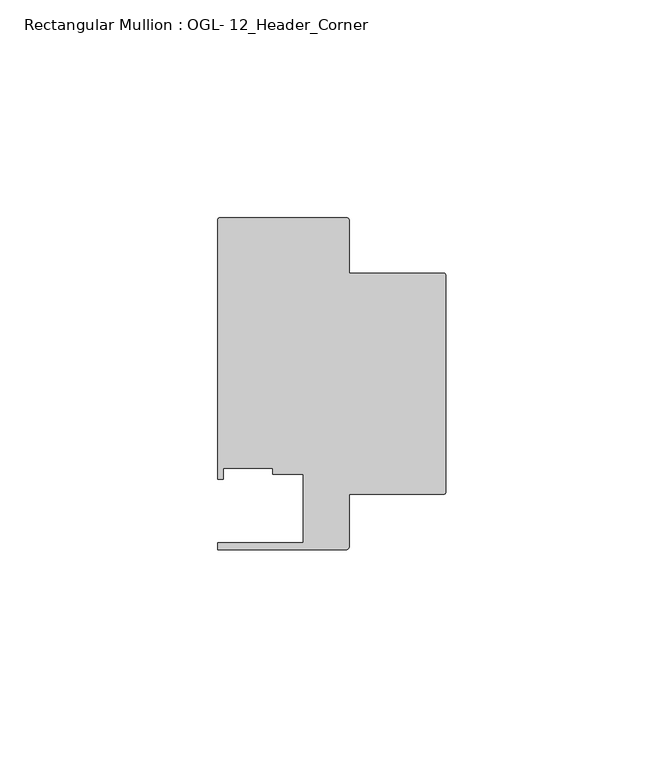
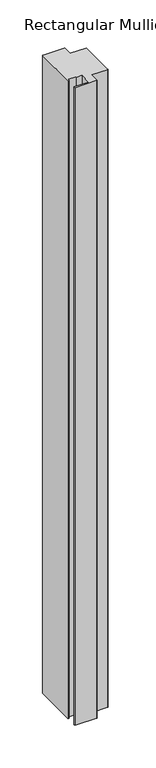
"""IFC4 building model written with IfcOpenShell, lengths in millimetres: member geometry, Rectangular Mullion : OGL- 12_Header_Corner."""

import ifcopenshell
import ifcopenshell.guid

model = None  # the IFC model being written
_history = None  # IfcOwnerHistory: only IFC2X3 demands one
_inside = {}  # id of a spatial element -> (the spatial element, [elements in it])
_under = {}  # id of a project, library or spatial element -> (it, [spatial elements below it])
_declared = {}  # id of a project -> (the project, [libraries it declares])
_typed = {}  # id of a type object -> (the type object, [elements of that type])
_made_of = {}  # id of a material, layer set ... -> (it, [elements and type objects made of it])


def new_model(schema):
    """Start an empty IFC model of exactly this schema.

    Asked for "IFC4X3", IfcOpenShell would pick the latest addendum, in which some entities
    have other attributes; the version numbers below select the first issue.
    IFC2X3 requires an IfcOwnerHistory on every rooted entity: one is made here for all.
    """
    global model, _history
    if schema == "IFC4X3":
        model = ifcopenshell.file(schema_version=(4, 3, 0, 0))
    else:
        model = ifcopenshell.file(schema=schema)
    _inside.clear()
    _under.clear()
    _declared.clear()
    _typed.clear()
    _made_of.clear()
    _history = None
    if model.schema == "IFC2X3":
        org = make("IfcOrganization", Name="unknown")
        user = make(
            "IfcPersonAndOrganization",
            ThePerson=make("IfcPerson", FamilyName="unknown"),
            TheOrganization=org,
        )
        app = make(
            "IfcApplication",
            ApplicationDeveloper=org,
            Version="unknown",
            ApplicationFullName="unknown",
            ApplicationIdentifier="unknown",
        )
        _history = make(
            "IfcOwnerHistory",
            OwningUser=user,
            OwningApplication=app,
            ChangeAction="ADDED",
            CreationDate=0,
        )
    return model


def make(cls, **values):
    """One entity of the class cls with the attributes given. An attribute that is None is left unset."""
    return model.create_entity(
        cls, **{name: value for name, value in values.items() if value is not None}
    )


def rooted(cls, **values):
    """An entity with a GlobalId (a new one), such as an element, a storey or a relation."""
    return make(cls, GlobalId=ifcopenshell.guid.new(), OwnerHistory=_history, **values)


def si_unit(unit_type, name, prefix=None):
    """IfcSIUnit, for example si_unit("LENGTHUNIT", "METRE", prefix="MILLI")."""
    return make("IfcSIUnit", UnitType=unit_type, Prefix=prefix, Name=name)


def assignment(units):
    """IfcUnitAssignment: the units of a project."""
    return None if units is None else make("IfcUnitAssignment", Units=units)


def point(xyz):
    """IfcCartesianPoint."""
    return None if xyz is None else make("IfcCartesianPoint", Coordinates=xyz)


def direction(xyz):
    """IfcDirection."""
    return None if xyz is None else make("IfcDirection", DirectionRatios=xyz)


def frame(location, z_axis=None, x_axis=None):
    """IfcAxis2Placement3D, a coordinate frame: its origin and axes. An axis left out is left unset."""
    return make(
        "IfcAxis2Placement3D",
        Location=point(location),
        Axis=direction(z_axis),
        RefDirection=direction(x_axis),
    )


def frame_2d(location, x_axis=None):
    """IfcAxis2Placement2D, a coordinate frame in the plane: its origin and x axis."""
    return make(
        "IfcAxis2Placement2D", Location=point(location), RefDirection=direction(x_axis)
    )


def origin():
    """The frame at (0, 0, 0) with its axes left unset."""
    return frame((0.0, 0.0, 0.0))


def place(relative_to, where):
    """IfcLocalPlacement: puts the frame where relative to a parent placement (None: the world)."""
    return make(
        "IfcLocalPlacement", PlacementRelTo=relative_to, RelativePlacement=where
    )


def context(
    kind, dimensions, precision=None, world=None, true_north=None, identifier=None
):
    """IfcGeometricRepresentationContext, for example the 3D "Model" context."""
    return make(
        "IfcGeometricRepresentationContext",
        ContextIdentifier=identifier,
        ContextType=kind,
        CoordinateSpaceDimension=dimensions,
        Precision=precision,
        WorldCoordinateSystem=world,
        TrueNorth=true_north,
    )


def project(units=None, contexts=None):
    """IfcProject with its units and contexts."""
    return rooted(
        "IfcProject",
        Name="project",
        RepresentationContexts=contexts,
        UnitsInContext=assignment(units),
    )


def spatial(cls, under=None, at=None, **own):
    """A site, building, storey or space (cls), placed at a placement, below another one or the project."""
    s = rooted(cls, ObjectPlacement=at, **own)
    if under is not None:
        _under.setdefault(under.id(), (under, []))[1].append(s)
    return s


def polyline(points):
    """IfcPolyline through the points."""
    return make("IfcPolyline", Points=[point(p) for p in points])


def circle_curve(where, radius):
    """IfcCircle in the frame where."""
    return make("IfcCircle", Position=where, Radius=radius)


def trimmed(basis, trim1, trim2, sense, master):
    """IfcTrimmedCurve: the piece of a basis curve between two trims."""
    return make(
        "IfcTrimmedCurve",
        BasisCurve=basis,
        Trim1=trim1,
        Trim2=trim2,
        SenseAgreement=sense,
        MasterRepresentation=master,
    )


def segment(curve, same_sense, transition):
    """IfcCompositeCurveSegment."""
    return make(
        "IfcCompositeCurveSegment",
        Transition=transition,
        SameSense=same_sense,
        ParentCurve=curve,
    )


def composite_curve(segments, self_intersect=None):
    """IfcCompositeCurve: segments joined end to end."""
    return make("IfcCompositeCurve", Segments=segments, SelfIntersect=self_intersect)


def outline(outer, holes=None, kind="AREA"):
    """IfcArbitraryClosedProfileDef: a profile drawn as a closed curve; with holes, ...WithVoids."""
    if holes is None:
        return make("IfcArbitraryClosedProfileDef", ProfileType=kind, OuterCurve=outer)
    return make(
        "IfcArbitraryProfileDefWithVoids",
        ProfileType=kind,
        OuterCurve=outer,
        InnerCurves=holes,
    )


def extrude(swept, where, along, depth):
    """IfcExtrudedAreaSolid: the profile swept, set in the frame where, extruded along a direction by depth."""
    return make(
        "IfcExtrudedAreaSolid",
        SweptArea=swept,
        Position=where,
        ExtrudedDirection=direction(along),
        Depth=depth,
    )


def shape(context_of_items, identifier, shape_type, items):
    """IfcShapeRepresentation: the items that make up one representation, for example the "Body"."""
    return make(
        "IfcShapeRepresentation",
        ContextOfItems=context_of_items,
        RepresentationIdentifier=identifier,
        RepresentationType=shape_type,
        Items=items,
    )


def source(mapping_origin, context_of_items, identifier, shape_type, items):
    """IfcRepresentationMap: a shape defined once, which mapped items show again and again."""
    return make(
        "IfcRepresentationMap",
        MappingOrigin=mapping_origin,
        MappedRepresentation=shape(context_of_items, identifier, shape_type, items),
    )


def transform(
    local_origin,
    x_axis=None,
    y_axis=None,
    z_axis=None,
    scale=None,
    scale2=None,
    scale3=None,
    uniform=True,
):
    """IfcCartesianTransformationOperator3D, or its non-uniform kind. x_axis, y_axis, z_axis: its Axis1, 2, 3."""
    if uniform:
        return make(
            "IfcCartesianTransformationOperator3D",
            Axis1=direction(x_axis),
            Axis2=direction(y_axis),
            LocalOrigin=point(local_origin),
            Scale=scale,
            Axis3=direction(z_axis),
        )
    return make(
        "IfcCartesianTransformationOperator3DnonUniform",
        Axis1=direction(x_axis),
        Axis2=direction(y_axis),
        LocalOrigin=point(local_origin),
        Scale=scale,
        Axis3=direction(z_axis),
        Scale2=scale2,
        Scale3=scale3,
    )


def mapped(mapping_source, mapping_target):
    """IfcMappedItem: shows the shape of a source again, moved by a transform."""
    return make(
        "IfcMappedItem", MappingSource=mapping_source, MappingTarget=mapping_target
    )


def made_of(thing, what):
    """Note that an element or type object is made of a material, layer set ...; save() writes the relation."""
    if what is not None:
        _made_of.setdefault(what.id(), (what, []))[1].append(thing)
    return thing


def element(
    cls,
    number,
    at=None,
    inside=None,
    cuts=None,
    type_object=None,
    material=None,
    context=None,
    identifier="Body",
    shape_type=None,
    held_by="IfcProductDefinitionShape",
    body=None,
    shapes=None,
    **own,
):
    """One element of the class cls, such as IfcWall. Its Tag is "e" and its number.

    at: its placement. inside: the storey or other place that contains it. cuts: it is an
    opening in that element (IfcRelVoidsElement). A single representation is given by context,
    identifier, shape_type and body (its items); several are given by shapes. held_by: the class
    of the entity that holds the representations. save() writes the other relations.
    """
    e = rooted(cls, Tag="e%d" % number, ObjectPlacement=at, **own)
    if body is not None:
        shapes = [shape(context, identifier, shape_type, body)]
    if shapes is not None:
        e.Representation = make(held_by, Representations=shapes)
    if inside is not None:
        _inside.setdefault(inside.id(), (inside, []))[1].append(e)
    if cuts is not None:
        rooted(
            "IfcRelVoidsElement", RelatingBuildingElement=cuts, RelatedOpeningElement=e
        )
    if type_object is not None:
        _typed.setdefault(type_object.id(), (type_object, []))[1].append(e)
    return made_of(e, material)


def aggregate(whole, parts):
    """IfcRelAggregates: a whole, such as a stair, and the parts it consists of."""
    return rooted("IfcRelAggregates", RelatingObject=whole, RelatedObjects=parts)


def save(model, path):
    """Write the relations noted so far, then the file.

    IfcRelAggregates (storeys below a building ...), IfcRelContainedInSpatialStructure (elements
    in a storey), IfcRelDefinesByType, IfcRelAssociatesMaterial and IfcRelDeclares: one each for
    every whole, place, type object, material and project.
    """
    for whole, parts in _under.values():
        aggregate(whole, parts)
    for where, things in _inside.values():
        rooted(
            "IfcRelContainedInSpatialStructure",
            RelatedElements=things,
            RelatingStructure=where,
        )
    for kind, things in _typed.values():
        rooted("IfcRelDefinesByType", RelatedObjects=things, RelatingType=kind)
    for what, things in _made_of.values():
        rooted("IfcRelAssociatesMaterial", RelatedObjects=things, RelatingMaterial=what)
    for by, libraries in _declared.values():
        rooted("IfcRelDeclares", RelatingContext=by, RelatedDefinitions=libraries)
    model.write(path)


def rectangular_mullion_ogl_12_header_corner_a4d28d05(model_context):
    return source(origin(), model_context, "Body", "SweptSolid", [
        extrude(outline(composite_curve([segment(trimmed(circle_curve(frame_2d((-0.5953125, 54.9671875)), 0.5953125), [point((-0.5953125, 55.5625))], [point((0.0, 54.9671875))], False, "CARTESIAN"), True, "CONTINUOUS"), segment(polyline([(0.0, 54.9671875), (0.0, 5.3578125)]), True, "CONTINUOUS"), segment(trimmed(circle_curve(frame_2d((-0.5953125, 5.3578125)), 0.5953125), [point((0.0, 5.3578125))], [point((-0.5953125, 4.7625))], False, "CARTESIAN"), True, "CONTINUOUS"), segment(polyline([(-0.5953125, 4.7625), (-22.2332898, 4.7625), (-22.2332898, -7.294459)]), True, "CONTINUOUS"), segment(trimmed(circle_curve(frame_2d((-22.8763468, -7.294459)), 0.643057), [point((-22.2332898, -7.294459))], [point((-22.8763468, -7.937516))], False, "CARTESIAN"), True, "CONTINUOUS"), segment(polyline([(-22.8763468, -7.937516), (-52.3830881, -7.937516), (-52.3830881, -6.350016), (-32.730302, -6.350016), (-32.730302, 9.3367652), (-39.7567771, 9.3367652), (-39.7567771, 10.6800725), (-51.1362531, 10.6800725), (-51.1362531, 8.1914024), (-52.3921824, 8.1914024), (-52.3921824, 67.6668667)]), True, "CONTINUOUS"), segment(trimmed(circle_curve(frame_2d((-51.7968699, 67.6668667)), 0.5953125), [point((-52.3921824, 67.6668667))], [point((-51.7968699, 68.2621792))], False, "CARTESIAN"), True, "CONTINUOUS"), segment(polyline([(-51.7968699, 68.2621792), (-22.8286023, 68.2621792)]), True, "CONTINUOUS"), segment(trimmed(circle_curve(frame_2d((-22.8286023, 67.6668667)), 0.5953125), [point((-22.8286023, 68.2621792))], [point((-22.2332898, 67.6668667))], False, "CARTESIAN"), True, "CONTINUOUS"), segment(polyline([(-22.2332898, 67.6668667), (-22.2332898, 55.5625), (-0.5953125, 55.5625)]), True, "CONTINUOUS")], self_intersect=False)), frame((0.0, 0.0, -914.3675346), z_axis=(0.0, 0.0, 1.0), x_axis=(1.0, 0.0, 0.0)), (0.0, 0.0, 1.0), 914.3675346),
    ])


if __name__ == "__main__":
    model = new_model("IFC4")
    model_context = context("Model", 3, world=origin())
    ifc_project = project(units=[si_unit("LENGTHUNIT", "METRE", prefix="MILLI")], contexts=[model_context])
    site = spatial("IfcSite", under=ifc_project)
    building = spatial("IfcBuilding", under=site)
    placement = place(None, origin())
    rectangular_mullion_ogl_12_header_corner_shape = rectangular_mullion_ogl_12_header_corner_a4d28d05(model_context)
    element("IfcMember", 1, ObjectType="Rectangular Mullion : OGL- 12_Header_Corner", at=placement, inside=building, context=model_context, shape_type="MappedRepresentation", body=[
        mapped(rectangular_mullion_ogl_12_header_corner_shape, transform((0.0, 0.0, 0.0), x_axis=(1.0, 0.0, 0.0), y_axis=(0.0, 1.0, 0.0), z_axis=(0.0, 0.0, 1.0))),
    ])
    save(model, "model.ifc")
